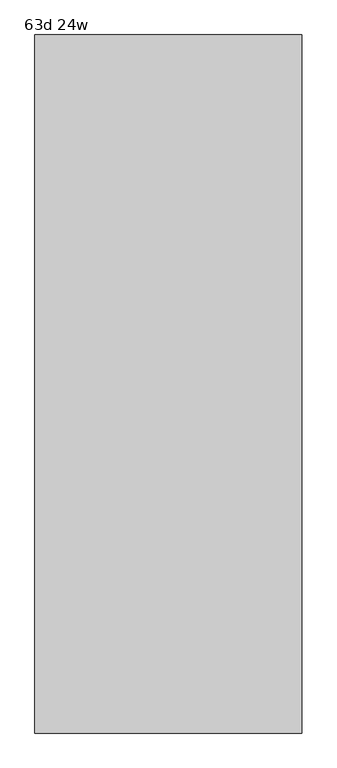
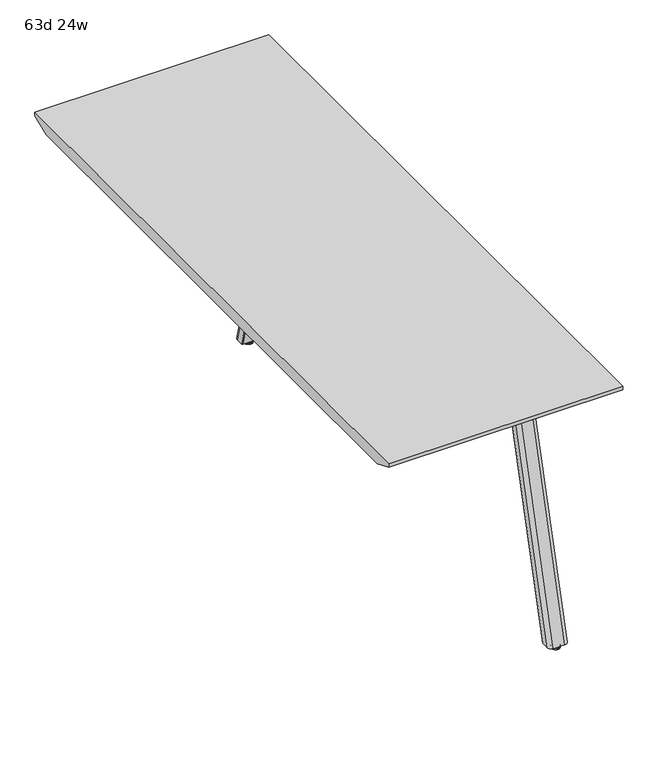
"""IFC4 building model written with IfcOpenShell, lengths in millimetres: furniture geometry, 63d 24w."""

from ifc_helpers import new_model, si_unit, point, frame, frame_2d, origin, place, context, project, spatial, polyline, circle_curve, ellipse_curve, trimmed, segment, composite_curve, outline, extrude, source, transform, mapped, element, save
from ifc_brep_helpers import plane_surface, cylinder_surface, revolved_surface, extruded_surface, advanced_brep


def furniture_63d_24w_5a84df45(model_context):
    return source(origin(), model_context, "Body", "SolidModel", [
        extrude(outline(composite_curve([segment(polyline([(320.6908754, -1423.6587974), (427.8471246, -1423.6587974)]), True, "CONTINUOUS"), segment(trimmed(circle_curve(frame_2d((427.8471246, -1433.5806724)), 9.921875), [point((427.8471246, -1423.6587974))], [point((437.7689996, -1433.5806724))], False, "CARTESIAN"), True, "CONTINUOUS"), segment(polyline([(437.7689996, -1433.5806724), (437.7689996, -1515.3369163)]), True, "CONTINUOUS"), segment(trimmed(circle_curve(frame_2d((427.8471246, -1515.3369163)), 9.921875), [point((437.7689996, -1515.3369163))], [point((427.8471246, -1525.2587913))], False, "CARTESIAN"), True, "CONTINUOUS"), segment(polyline([(427.8471246, -1525.2587913), (320.6908754, -1525.2587913)]), True, "CONTINUOUS"), segment(trimmed(circle_curve(frame_2d((320.6908754, -1515.3369163)), 9.921875), [point((320.6908754, -1525.2587913))], [point((310.7690004, -1515.3369163))], False, "CARTESIAN"), True, "CONTINUOUS"), segment(polyline([(310.7690004, -1515.3369163), (310.7690004, -1433.5806724)]), True, "CONTINUOUS"), segment(trimmed(circle_curve(frame_2d((320.6908754, -1433.5806724)), 9.921875), [point((310.7690004, -1433.5806724))], [point((320.6908754, -1423.6587974))], False, "CARTESIAN"), True, "CONTINUOUS")], self_intersect=False)), frame((0.0, 0.0, 705.2055984), z_axis=(0.0, 0.0, 1.0), x_axis=(1.0, 0.0, 0.0)), (0.0, 0.0, 1.0), 5.9944016),
        advanced_brep(
        [(429.9270371, -1489.9941016, 705.2055984), (382.8729629, -1489.9941016, 705.2055984), (381.3809603, -1491.4861042, 705.2055984), (381.3809603, -1510.2969272, 705.2055984), (391.3028353, -1520.2188022, 705.2055984), (421.4971647, -1520.2188022, 705.2055984), (431.4190397, -1510.2969272, 705.2055984), (431.4190397, -1491.4861042, 705.2055984), (429.9270371, -1675.1899744, 10.7173168), (431.4190397, -1676.681977, 10.7173168), (431.4190397, -1696.3691016, 10.7173168), (421.4971647, -1706.2909766, 10.7173168), (391.3028353, -1706.2909766, 10.7173168), (381.3809603, -1696.3691016, 10.7173168), (381.3809603, -1676.681977, 10.7173168), (382.8729629, -1675.1899744, 10.7173168)],
        [
            (0, 1),
            (1, 2, circle_curve(frame((382.8729629, -1491.4861042, 705.2055984), z_axis=(0.0, 0.0, 1.0), x_axis=(-1.0, 0.0, 0.0)), 1.4920026)),
            (2, 3),
            (3, 4, circle_curve(frame((391.3028353, -1510.2969272, 705.2055984), z_axis=(0.0, 0.0, 1.0), x_axis=(-1.0, 0.0, 0.0)), 9.921875)),
            (4, 5),
            (5, 6, circle_curve(frame((421.4971647, -1510.2969272, 705.2055984), z_axis=(0.0, 0.0, 1.0), x_axis=(-1.0, 0.0, 0.0)), 9.921875)),
            (6, 7),
            (7, 0, circle_curve(frame((429.9270371, -1491.4861042, 705.2055984), z_axis=(0.0, 0.0, 1.0), x_axis=(-1.0, 0.0, 0.0)), 1.4920026)),
            (8, 9, circle_curve(frame((429.9270371, -1676.681977, 10.7173168), z_axis=(0.0, 0.0, -1.0), x_axis=(-1.0, 0.0, 0.0)), 1.4920026)),
            (9, 10),
            (10, 11, circle_curve(frame((421.4971647, -1696.3691016, 10.7173168), z_axis=(0.0, 0.0, -1.0), x_axis=(-1.0, 0.0, 0.0)), 9.921875)),
            (11, 12),
            (12, 13, circle_curve(frame((391.3028353, -1696.3691016, 10.7173168), z_axis=(0.0, 0.0, -1.0), x_axis=(-1.0, 0.0, 0.0)), 9.921875)),
            (13, 14),
            (14, 15, circle_curve(frame((382.8729629, -1676.681977, 10.7173168), z_axis=(0.0, 0.0, -1.0), x_axis=(-1.0, 0.0, 0.0)), 1.4920026)),
            (15, 8),
            (8, 0),
            (7, 9),
            (6, 10),
            (5, 11),
            (4, 12),
            (3, 13),
            (2, 14),
            (1, 15),
        ],
        [
            plane_surface(frame((406.4, -1502.9989838, 705.2055984), z_axis=(0.0, 0.0, 1.0), x_axis=(1.0, 0.0, 0.0))),
            plane_surface(frame((406.4, -1688.6330074, 10.7173168), z_axis=(0.0, 0.0, -1.0), x_axis=(1.0, 0.0, 0.0))),
            extruded_surface(trimmed(circle_curve(frame((429.9270371, -1491.4861042, 705.2055984), z_axis=(0.0, 0.0, -1.0), x_axis=(-1.0, 0.0, 0.0)), 1.4920026), [point((429.9270371, -1489.9941016, 705.2055984))], [point((431.4190397, -1491.4861042, 705.2055984))], True, "CARTESIAN"), (0.0, -185.19587279999996, -694.4882815999999), 718.7569022846839),
            plane_surface(frame((431.4190397, -1686.5255393, 10.7173168), z_axis=(1.0, 0.0, 0.0), x_axis=(0.0, -1.0, 0.0))),
            extruded_surface(trimmed(circle_curve(frame((421.4971647, -1510.2969272, 705.2055984), z_axis=(0.0, 0.0, -1.0), x_axis=(-1.0, 0.0, 0.0)), 9.921875), [point((431.4190397, -1510.2969272, 705.2055984))], [point((421.4971647, -1520.2188022, 705.2055984))], True, "CARTESIAN"), (0.0, -186.0721744, -694.4882815999999), 718.9831899047882),
            plane_surface(frame((406.4, -1706.2909766, 10.7173168), z_axis=(0.0, -0.9659311808061944, 0.2587990609456514), x_axis=(-1.0, 0.0, 0.0))),
            extruded_surface(trimmed(circle_curve(frame((391.3028353, -1510.2969272, 705.2055984), z_axis=(0.0, 0.0, -1.0), x_axis=(-1.0, 0.0, 0.0)), 9.921875), [point((391.3028353, -1520.2188022, 705.2055984))], [point((381.3809603, -1510.2969272, 705.2055984))], True, "CARTESIAN"), (0.0, -186.0721744, -694.4882815999999), 718.9831899047882),
            plane_surface(frame((381.3809603, -1686.5255393, 10.7173168), z_axis=(-1.0, 0.0, 0.0), x_axis=(0.0, 1.0, 0.0))),
            extruded_surface(trimmed(circle_curve(frame((382.8729629, -1491.4861042, 705.2055984), z_axis=(0.0, 0.0, -1.0), x_axis=(-1.0, 0.0, 0.0)), 1.4920026), [point((381.3809603, -1491.4861042, 705.2055984))], [point((382.8729629, -1489.9941016, 705.2055984))], True, "CARTESIAN"), (0.0, -185.19587279999996, -694.4882815999999), 718.7569022846839),
            plane_surface(frame((406.4, -1675.1899744, 10.7173168), z_axis=(0.0, 0.9662352867758855, -0.2576613486519124), x_axis=(1.0, 0.0, 0.0))),
        ],
        [
            (0, [[1, 2, 3, 4, 5, 6, 7, 8]]),
            (1, [[9, 10, 11, 12, 13, 14, 15, 16]]),
            (2, [[17, -8, 18, -9]]),
            (3, [[-18, -7, 19, -10]]),
            (4, [[-19, -6, 20, -11]]),
            (5, [[-20, -5, 21, -12]]),
            (6, [[-21, -4, 22, -13]]),
            (7, [[-22, -3, 23, -14]]),
            (8, [[-23, -2, 24, -15]]),
            (9, [[-24, -1, -17, -16]]),
        ],
    ),
        advanced_brep(
        [(410.3999739, -1690.4159766, 35.0000007), (406.4, -1690.4159766, 35.0000007), (402.4000261, -1690.4159766, 35.0000007), (410.3999739, -1690.4159766, 5.0000003), (402.4000261, -1690.4159766, 5.0000003), (416.6062326, -1690.4159766, 5.0000003), (396.1937674, -1690.4159766, 5.0000003), (417.3999826, -1690.4159766, 4.2062503), (395.4000174, -1690.4159766, 4.2062503), (417.3999826, -1690.4159766, 0.79375), (395.4000174, -1690.4159766, 0.79375), (416.6062326, -1690.4159766, 0.0), (396.1937674, -1690.4159766, 0.0), (406.4, -1690.4159766, 0.0)],
        [
            (0, 1),
            (1, 2),
            (2, 0, circle_curve(frame((406.4, -1690.4159766, 35.0000007), z_axis=(0.0, 0.0, 1.0), x_axis=(-1.0000000000000004, 0.0, 0.0)), 3.9999739)),
            (0, 2, circle_curve(frame((406.4, -1690.4159766, 35.0000007), z_axis=(0.0, 0.0, 1.0), x_axis=(-1.0000000000000004, 0.0, 0.0)), 3.9999739)),
            (3, 0),
            (2, 4),
            (4, 3, circle_curve(frame((406.4, -1690.4159766, 5.0000003), z_axis=(0.0, 0.0, 1.0), x_axis=(-1.0000000000000004, 0.0, 0.0)), 3.9999739)),
            (3, 4, circle_curve(frame((406.4, -1690.4159766, 5.0000003), z_axis=(0.0, 0.0, 1.0), x_axis=(-1.0000000000000004, 0.0, 0.0)), 3.9999739)),
            (5, 3),
            (4, 6),
            (6, 5, circle_curve(frame((406.4, -1690.4159766, 5.0000003), z_axis=(0.0, 0.0, 1.0), x_axis=(-1.0000000000000004, 0.0, 0.0)), 10.2062326)),
            (5, 6, circle_curve(frame((406.4, -1690.4159766, 5.0000003), z_axis=(0.0, 0.0, 1.0), x_axis=(-1.0000000000000004, 0.0, 0.0)), 10.2062326)),
            (7, 5, circle_curve(frame((416.6062326, -1690.4159766, 4.2062503), z_axis=(0.0, -1.0000000000000004, 0.0), x_axis=(0.0, 0.0, -1.0)), 0.79375)),
            (6, 8, circle_curve(frame((396.1937674, -1690.4159766, 4.2062503), z_axis=(0.0, -1.0000000000000004, 0.0), x_axis=(0.0, 0.0, -1.0)), 0.79375)),
            (8, 7, circle_curve(frame((406.4, -1690.4159766, 4.2062503), z_axis=(0.0, 0.0, 1.0), x_axis=(-1.0000000000000004, 0.0, 0.0)), 10.9999826)),
            (7, 8, circle_curve(frame((406.4, -1690.4159766, 4.2062503), z_axis=(0.0, 0.0, 1.0), x_axis=(-1.0000000000000004, 0.0, 0.0)), 10.9999826)),
            (9, 7),
            (8, 10),
            (10, 9, circle_curve(frame((406.4, -1690.4159766, 0.79375), z_axis=(0.0, 0.0, 1.0), x_axis=(-1.0000000000000004, 0.0, 0.0)), 10.9999826)),
            (9, 10, circle_curve(frame((406.4, -1690.4159766, 0.79375), z_axis=(0.0, 0.0, 1.0), x_axis=(-1.0000000000000004, 0.0, 0.0)), 10.9999826)),
            (11, 9, circle_curve(frame((416.6062326, -1690.4159766, 0.79375), z_axis=(0.0, -1.0000000000000004, 0.0), x_axis=(0.0, 0.0, -1.0)), 0.79375)),
            (10, 12, circle_curve(frame((396.1937674, -1690.4159766, 0.79375), z_axis=(0.0, -1.0000000000000004, 0.0), x_axis=(0.0, 0.0, -1.0)), 0.79375)),
            (12, 11, circle_curve(frame((406.4, -1690.4159766, 0.0), z_axis=(0.0, 0.0, 1.0), x_axis=(-1.0000000000000004, 0.0, 0.0)), 10.2062326)),
            (11, 12, circle_curve(frame((406.4, -1690.4159766, 0.0), z_axis=(0.0, 0.0, 1.0), x_axis=(-1.0000000000000004, 0.0, 0.0)), 10.2062326)),
            (13, 11),
            (12, 13),
        ],
        [
            plane_surface(frame((406.4, -1690.4159766, 35.0000007), z_axis=(0.0, 0.0, 1.0), x_axis=(-1.0, 0.0, 0.0))),
            cylinder_surface(frame((406.4, -1690.4159766, 52.3860264), z_axis=(0.0, 0.0, -1.0), x_axis=(-1.0000000000000004, 0.0, 0.0)), 3.9999739),
            plane_surface(frame((406.4, -1690.4159766, 5.0000003), z_axis=(0.0, 0.0, 1.0), x_axis=(-1.0, 0.0, 0.0))),
            revolved_surface(trimmed(ellipse_curve(frame((396.1937674, -1690.4159766, 4.2062503), z_axis=(0.0, -1.0000000000000004, 0.0), x_axis=(0.0, 0.0, -1.0)), 0.79375, 0.79375), [point((396.1937674, -1690.4159766, 5.0000003))], [point((395.4000174, -1690.4159766, 4.2062503))], True, "CARTESIAN"), (406.4, -1690.4159766, 52.3860264), (0.0, 0.0, -1.0)),
            cylinder_surface(frame((406.4, -1690.4159766, 52.3860264), z_axis=(0.0, 0.0, -1.0), x_axis=(-1.0000000000000004, 0.0, 0.0)), 10.9999826),
            revolved_surface(trimmed(ellipse_curve(frame((396.1937674, -1690.4159766, 0.79375), z_axis=(0.0, -1.0000000000000004, 0.0), x_axis=(0.0, 0.0, -1.0)), 0.79375, 0.79375), [point((395.4000174, -1690.4159766, 0.79375))], [point((396.1937674, -1690.4159766, 0.0))], True, "CARTESIAN"), (406.4, -1690.4159766, 52.3860264), (0.0, 0.0, -1.0)),
            plane_surface(frame((406.4, -1690.4159766, 0.0), z_axis=(0.0, 0.0, -1.0), x_axis=(-1.0, 0.0, 0.0))),
        ],
        [
            (0, [[1, 2, 3]]),
            (0, [[-2, -1, 4]]),
            (1, [[5, -3, 6, 7]]),
            (1, [[-6, -4, -5, 8]]),
            (2, [[9, -7, 10, 11]]),
            (2, [[-10, -8, -9, 12]]),
            (3, [[13, -11, 14, 15]]),
            (3, [[-14, -12, -13, 16]]),
            (4, [[17, -15, 18, 19]]),
            (4, [[-18, -16, -17, 20]]),
            (5, [[21, -19, 22, 23]]),
            (5, [[-22, -20, -21, 24]]),
            (6, [[25, -23, 26]]),
            (6, [[-26, -24, -25]]),
        ],
    ),
        extrude(outline(composite_curve([segment(trimmed(circle_curve(frame_2d((320.6908754, -561.3637807)), 9.921875), [point((320.6908754, -571.2856557))], [point((310.7690004, -561.3637807))], False, "CARTESIAN"), True, "CONTINUOUS"), segment(polyline([(310.7690004, -561.3637807), (310.7690004, -479.6075368)]), True, "CONTINUOUS"), segment(trimmed(circle_curve(frame_2d((320.6908754, -479.6075368)), 9.921875), [point((310.7690004, -479.6075368))], [point((320.6908754, -469.6856618))], False, "CARTESIAN"), True, "CONTINUOUS"), segment(polyline([(320.6908754, -469.6856618), (427.8471246, -469.6856618)]), True, "CONTINUOUS"), segment(trimmed(circle_curve(frame_2d((427.8471246, -479.6075368)), 9.921875), [point((427.8471246, -469.6856618))], [point((437.7689996, -479.6075368))], False, "CARTESIAN"), True, "CONTINUOUS"), segment(polyline([(437.7689996, -479.6075368), (437.7689996, -561.3637807)]), True, "CONTINUOUS"), segment(trimmed(circle_curve(frame_2d((427.8471246, -561.3637807)), 9.921875), [point((437.7689996, -561.3637807))], [point((427.8471246, -571.2856557))], False, "CARTESIAN"), True, "CONTINUOUS"), segment(polyline([(427.8471246, -571.2856557), (320.6908754, -571.2856557)]), True, "CONTINUOUS")], self_intersect=False)), frame((0.0, 0.0, 705.2055984), z_axis=(0.0, 0.0, 1.0), x_axis=(1.0, 0.0, 0.0)), (0.0, 0.0, 1.0), 5.9944016),
        advanced_brep(
        [(429.9270371, -504.9503516, 705.2055984), (431.4190397, -503.4583489, 705.2055984), (431.4190397, -484.6475259, 705.2055984), (421.4971647, -474.7256509, 705.2055984), (391.3028353, -474.7256509, 705.2055984), (381.3809603, -484.6475259, 705.2055984), (381.3809603, -503.4583489, 705.2055984), (382.8729629, -504.9503516, 705.2055984), (429.9270371, -319.7544788, 10.7173168), (382.8729629, -319.7544788, 10.7173168), (381.3809603, -318.2624761, 10.7173168), (381.3809603, -298.5753516, 10.7173168), (391.3028353, -288.6534766, 10.7173168), (421.4971647, -288.6534766, 10.7173168), (431.4190397, -298.5753516, 10.7173168), (431.4190397, -318.2624761, 10.7173168)],
        [
            (0, 1, circle_curve(frame((429.9270371, -503.4583489, 705.2055984), z_axis=(0.0, 0.0, 1.0), x_axis=(-1.0, 0.0, 0.0)), 1.4920026)),
            (1, 2),
            (2, 3, circle_curve(frame((421.4971647, -484.6475259, 705.2055984), z_axis=(0.0, 0.0, 1.0), x_axis=(-1.0, 0.0, 0.0)), 9.921875)),
            (3, 4),
            (4, 5, circle_curve(frame((391.3028353, -484.6475259, 705.2055984), z_axis=(0.0, 0.0, 1.0), x_axis=(-1.0, 0.0, 0.0)), 9.921875)),
            (5, 6),
            (6, 7, circle_curve(frame((382.8729629, -503.4583489, 705.2055984), z_axis=(0.0, 0.0, 1.0), x_axis=(-1.0, 0.0, 0.0)), 1.4920026)),
            (7, 0),
            (8, 9),
            (9, 10, circle_curve(frame((382.8729629, -318.2624761, 10.7173168), z_axis=(0.0, 0.0, -1.0), x_axis=(-1.0, 0.0, 0.0)), 1.4920026)),
            (10, 11),
            (11, 12, circle_curve(frame((391.3028353, -298.5753516, 10.7173168), z_axis=(0.0, 0.0, -1.0), x_axis=(-1.0, 0.0, 0.0)), 9.921875)),
            (12, 13),
            (13, 14, circle_curve(frame((421.4971647, -298.5753516, 10.7173168), z_axis=(0.0, 0.0, -1.0), x_axis=(-1.0, 0.0, 0.0)), 9.921875)),
            (14, 15),
            (15, 8, circle_curve(frame((429.9270371, -318.2624761, 10.7173168), z_axis=(0.0, 0.0, -1.0), x_axis=(-1.0, 0.0, 0.0)), 1.4920026)),
            (15, 1),
            (0, 8),
            (14, 2),
            (13, 3),
            (12, 4),
            (11, 5),
            (10, 6),
            (9, 7),
        ],
        [
            plane_surface(frame((406.4, -491.9454693, 705.2055984), z_axis=(0.0, 0.0, 1.0), x_axis=(1.0, 0.0, 0.0))),
            plane_surface(frame((406.4, -306.3114458, 10.7173168), z_axis=(0.0, 0.0, -1.0), x_axis=(1.0, 0.0, 0.0))),
            extruded_surface(trimmed(circle_curve(frame((429.9270371, -318.2624761, 10.7173168), z_axis=(0.0, 0.0, 1.0), x_axis=(-1.0, 0.0, 0.0)), 1.4920026), [point((429.9270371, -319.7544788, 10.7173168))], [point((431.4190397, -318.2624761, 10.7173168))], True, "CARTESIAN"), (0.0, -185.19587279999996, 694.4882815999999), 718.7569022846839),
            plane_surface(frame((431.4190397, -308.4189138, 10.7173168), z_axis=(1.0, 0.0, 0.0), x_axis=(0.0, 1.0, 0.0))),
            extruded_surface(trimmed(circle_curve(frame((421.4971647, -298.5753516, 10.7173168), z_axis=(0.0, 0.0, 1.0), x_axis=(-1.0, 0.0, 0.0)), 9.921875), [point((431.4190397, -298.5753516, 10.7173168))], [point((421.4971647, -288.6534766, 10.7173168))], True, "CARTESIAN"), (0.0, -186.07217430000003, 694.4882815999999), 718.9831898789083),
            plane_surface(frame((406.4, -288.6534766, 10.7173168), z_axis=(0.0, 0.9659311808061944, 0.2587990609456514), x_axis=(-1.0, 0.0, 0.0))),
            extruded_surface(trimmed(circle_curve(frame((391.3028353, -298.5753516, 10.7173168), z_axis=(0.0, 0.0, 1.0), x_axis=(-1.0, 0.0, 0.0)), 9.921875), [point((391.3028353, -288.6534766, 10.7173168))], [point((381.3809603, -298.5753516, 10.7173168))], True, "CARTESIAN"), (0.0, -186.07217430000003, 694.4882815999999), 718.9831898789083),
            plane_surface(frame((381.3809603, -308.4189138, 10.7173168), z_axis=(-1.0, 0.0, 0.0), x_axis=(0.0, -1.0, 0.0))),
            extruded_surface(trimmed(circle_curve(frame((382.8729629, -318.2624761, 10.7173168), z_axis=(0.0, 0.0, 1.0), x_axis=(-1.0, 0.0, 0.0)), 1.4920026), [point((381.3809603, -318.2624761, 10.7173168))], [point((382.8729629, -319.7544788, 10.7173168))], True, "CARTESIAN"), (0.0, -185.19587279999996, 694.4882815999999), 718.7569022846839),
            plane_surface(frame((406.4, -319.7544788, 10.7173168), z_axis=(0.0, -0.9662352867758855, -0.2576613486519124), x_axis=(1.0, 0.0, 0.0))),
        ],
        [
            (0, [[1, 2, 3, 4, 5, 6, 7, 8]]),
            (1, [[9, 10, 11, 12, 13, 14, 15, 16]]),
            (2, [[-16, 17, -1, 18]]),
            (3, [[-15, 19, -2, -17]]),
            (4, [[-14, 20, -3, -19]]),
            (5, [[-13, 21, -4, -20]]),
            (6, [[-12, 22, -5, -21]]),
            (7, [[-11, 23, -6, -22]]),
            (8, [[-10, 24, -7, -23]]),
            (9, [[-9, -18, -8, -24]]),
        ],
    ),
        advanced_brep(
        [(410.3999739, -304.5284766, 35.0000007), (402.4000261, -304.5284766, 35.0000007), (406.4, -304.5284766, 35.0000007), (410.3999739, -304.5284766, 5.0000003), (402.4000261, -304.5284766, 5.0000003), (416.6062326, -304.5284766, 5.0000003), (396.1937674, -304.5284766, 5.0000003), (417.3999826, -304.5284766, 4.2062503), (395.4000174, -304.5284766, 4.2062503), (417.3999826, -304.5284766, 0.79375), (395.4000174, -304.5284766, 0.79375), (416.6062326, -304.5284766, 0.0), (396.1937674, -304.5284766, 0.0), (406.4, -304.5284766, 0.0)],
        [
            (0, 1, circle_curve(frame((406.4, -304.5284766, 35.0000007), z_axis=(0.0, 0.0, 1.0), x_axis=(-1.0000000000000004, 0.0, 0.0)), 3.9999739)),
            (1, 2),
            (2, 0),
            (1, 0, circle_curve(frame((406.4, -304.5284766, 35.0000007), z_axis=(0.0, 0.0, 1.0), x_axis=(-1.0000000000000004, 0.0, 0.0)), 3.9999739)),
            (3, 4, circle_curve(frame((406.4, -304.5284766, 5.0000003), z_axis=(0.0, 0.0, 1.0), x_axis=(-1.0000000000000004, 0.0, 0.0)), 3.9999739)),
            (4, 1),
            (0, 3),
            (4, 3, circle_curve(frame((406.4, -304.5284766, 5.0000003), z_axis=(0.0, 0.0, 1.0), x_axis=(-1.0000000000000004, 0.0, 0.0)), 3.9999739)),
            (5, 6, circle_curve(frame((406.4, -304.5284766, 5.0000003), z_axis=(0.0, 0.0, 1.0), x_axis=(-1.0000000000000004, 0.0, 0.0)), 10.2062326)),
            (6, 4),
            (3, 5),
            (6, 5, circle_curve(frame((406.4, -304.5284766, 5.0000003), z_axis=(0.0, 0.0, 1.0), x_axis=(-1.0000000000000004, 0.0, 0.0)), 10.2062326)),
            (7, 8, circle_curve(frame((406.4, -304.5284766, 4.2062503), z_axis=(0.0, 0.0, 1.0), x_axis=(-1.0000000000000004, 0.0, 0.0)), 10.9999826)),
            (8, 6, circle_curve(frame((396.1937674, -304.5284766, 4.2062503), z_axis=(0.0, 1.0000000000000004, 0.0), x_axis=(0.0, 0.0, -1.0)), 0.79375)),
            (5, 7, circle_curve(frame((416.6062326, -304.5284766, 4.2062503), z_axis=(0.0, 1.0000000000000004, 0.0), x_axis=(0.0, 0.0, -1.0)), 0.79375)),
            (8, 7, circle_curve(frame((406.4, -304.5284766, 4.2062503), z_axis=(0.0, 0.0, 1.0), x_axis=(-1.0000000000000004, 0.0, 0.0)), 10.9999826)),
            (9, 10, circle_curve(frame((406.4, -304.5284766, 0.79375), z_axis=(0.0, 0.0, 1.0), x_axis=(-1.0000000000000004, 0.0, 0.0)), 10.9999826)),
            (10, 8),
            (7, 9),
            (10, 9, circle_curve(frame((406.4, -304.5284766, 0.79375), z_axis=(0.0, 0.0, 1.0), x_axis=(-1.0000000000000004, 0.0, 0.0)), 10.9999826)),
            (11, 12, circle_curve(frame((406.4, -304.5284766, 0.0), z_axis=(0.0, 0.0, 1.0), x_axis=(-1.0000000000000004, 0.0, 0.0)), 10.2062326)),
            (12, 10, circle_curve(frame((396.1937674, -304.5284766, 0.79375), z_axis=(0.0, 1.0000000000000004, 0.0), x_axis=(0.0, 0.0, -1.0)), 0.79375)),
            (9, 11, circle_curve(frame((416.6062326, -304.5284766, 0.79375), z_axis=(0.0, 1.0000000000000004, 0.0), x_axis=(0.0, 0.0, -1.0)), 0.79375)),
            (12, 11, circle_curve(frame((406.4, -304.5284766, 0.0), z_axis=(0.0, 0.0, 1.0), x_axis=(-1.0000000000000004, 0.0, 0.0)), 10.2062326)),
            (13, 12),
            (11, 13),
        ],
        [
            plane_surface(frame((406.4, -304.5284766, 35.0000007), z_axis=(0.0, 0.0, 1.0), x_axis=(-1.0, 0.0, 0.0))),
            cylinder_surface(frame((406.4, -304.5284766, 52.3860264), z_axis=(0.0, 0.0, -1.0), x_axis=(-1.0000000000000004, 0.0, 0.0)), 3.9999739),
            plane_surface(frame((406.4, -304.5284766, 5.0000003), z_axis=(0.0, 0.0, 1.0), x_axis=(-1.0, 0.0, 0.0))),
            revolved_surface(trimmed(ellipse_curve(frame((396.1937674, -304.5284766, 4.2062503), z_axis=(0.0, -1.0000000000000004, 0.0), x_axis=(0.0, 0.0, -1.0)), 0.79375, 0.79375), [point((396.1937674, -304.5284766, 5.0000003))], [point((395.4000174, -304.5284766, 4.2062503))], True, "CARTESIAN"), (406.4, -304.5284766, 52.3860264), (0.0, 0.0, -1.0)),
            cylinder_surface(frame((406.4, -304.5284766, 52.3860264), z_axis=(0.0, 0.0, -1.0), x_axis=(-1.0000000000000004, 0.0, 0.0)), 10.9999826),
            revolved_surface(trimmed(ellipse_curve(frame((396.1937674, -304.5284766, 0.79375), z_axis=(0.0, -1.0000000000000004, 0.0), x_axis=(0.0, 0.0, -1.0)), 0.79375, 0.79375), [point((395.4000174, -304.5284766, 0.79375))], [point((396.1937674, -304.5284766, 0.0))], True, "CARTESIAN"), (406.4, -304.5284766, 52.3860264), (0.0, 0.0, -1.0)),
            plane_surface(frame((406.4, -304.5284766, 0.0), z_axis=(0.0, 0.0, -1.0), x_axis=(-1.0, 0.0, 0.0))),
        ],
        [
            (0, [[1, 2, 3]]),
            (0, [[4, -3, -2]]),
            (1, [[5, 6, -1, 7]]),
            (1, [[8, -7, -4, -6]]),
            (2, [[9, 10, -5, 11]]),
            (2, [[12, -11, -8, -10]]),
            (3, [[13, 14, -9, 15]]),
            (3, [[16, -15, -12, -14]]),
            (4, [[17, 18, -13, 19]]),
            (4, [[20, -19, -16, -18]]),
            (5, [[21, 22, -17, 23]]),
            (5, [[24, -23, -20, -22]]),
            (6, [[25, -21, 26]]),
            (6, [[-26, -24, -25]]),
        ],
    ),
        extrude(outline(polyline([(-1795.1909766, 741.3625), (-199.7534766, 741.3625), (-199.7534766, 731.8375), (-250.5534766, 711.2), (-1744.3909766, 711.2), (-1795.1909766, 731.8375), (-1795.1909766, 741.3625)])), frame((-88.9, 0.0, 0.0), z_axis=(1.0, 0.0, 0.0), x_axis=(0.0, 1.0, 0.0)), (0.0, 0.0, 1.0), 609.6),
    ])


if __name__ == "__main__":
    model = new_model("IFC4")
    model_context = context("Model", 3, world=origin())
    ifc_project = project(units=[si_unit("LENGTHUNIT", "METRE", prefix="MILLI")], contexts=[model_context])
    site = spatial("IfcSite", under=ifc_project)
    building = spatial("IfcBuilding", under=site)
    placement = place(None, origin())
    furniture_63d_24w_shape = furniture_63d_24w_5a84df45(model_context)
    element("IfcFurniture", 1, ObjectType="63d 24w", at=placement, inside=building, context=model_context, shape_type="MappedRepresentation", body=[
        mapped(furniture_63d_24w_shape, transform((0.0, 0.0, 0.0), x_axis=(1.0, 0.0, 0.0), y_axis=(0.0, 1.0, 0.0), z_axis=(0.0, 0.0, 1.0))),
    ])
    save(model, "model.ifc")
